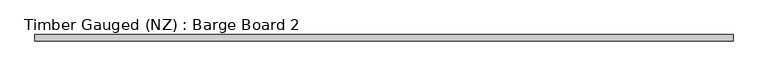
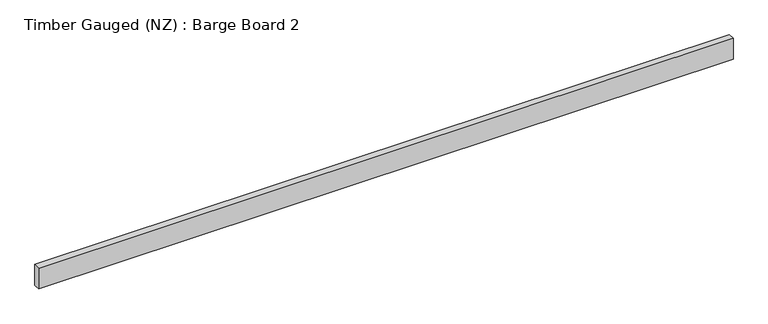
"""IFC4 building model written with IfcOpenShell, lengths in millimetres: beam geometry, Timber Gauged (NZ) : Barge Board 2."""

from ifc_helpers import new_model, si_unit, frame, origin, place, context, project, spatial, polyline, outline, extrude, source, transform, mapped, element, save


def timber_gauged_nz_barge_board_2_aea12144(model_context):
    return source(origin(), model_context, "Body", "SweptSolid", [
        extrude(outline(polyline([(1110.0, 10.0), (1110.0, -10.0), (-1110.0, -10.0), (-1110.0, 10.0), (1110.0, 10.0)])), frame((0.0, 0.0, -35.0), z_axis=(0.0, 0.0, 1.0), x_axis=(1.0, 0.0, 0.0)), (0.0, 0.0, 1.0), 70.0),
    ])


if __name__ == "__main__":
    model = new_model("IFC4")
    model_context = context("Model", 3, world=origin())
    ifc_project = project(units=[si_unit("LENGTHUNIT", "METRE", prefix="MILLI")], contexts=[model_context])
    site = spatial("IfcSite", under=ifc_project)
    building = spatial("IfcBuilding", under=site)
    placement = place(None, origin())
    timber_gauged_nz_barge_board_2_shape = timber_gauged_nz_barge_board_2_aea12144(model_context)
    element("IfcBeam", 1, ObjectType="Timber Gauged (NZ) : Barge Board 2", at=placement, inside=building, context=model_context, shape_type="MappedRepresentation", body=[
        mapped(timber_gauged_nz_barge_board_2_shape, transform((0.0, 0.0, 0.0), x_axis=(1.0, 0.0, 0.0), y_axis=(0.0, 1.0, 0.0), z_axis=(0.0, 0.0, 1.0))),
    ])
    save(model, "model.ifc")
